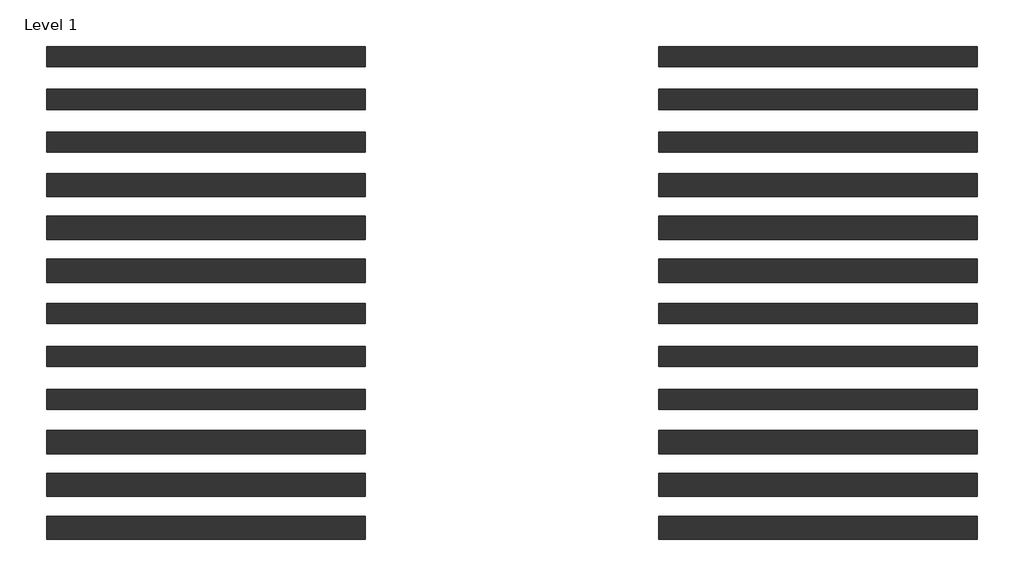
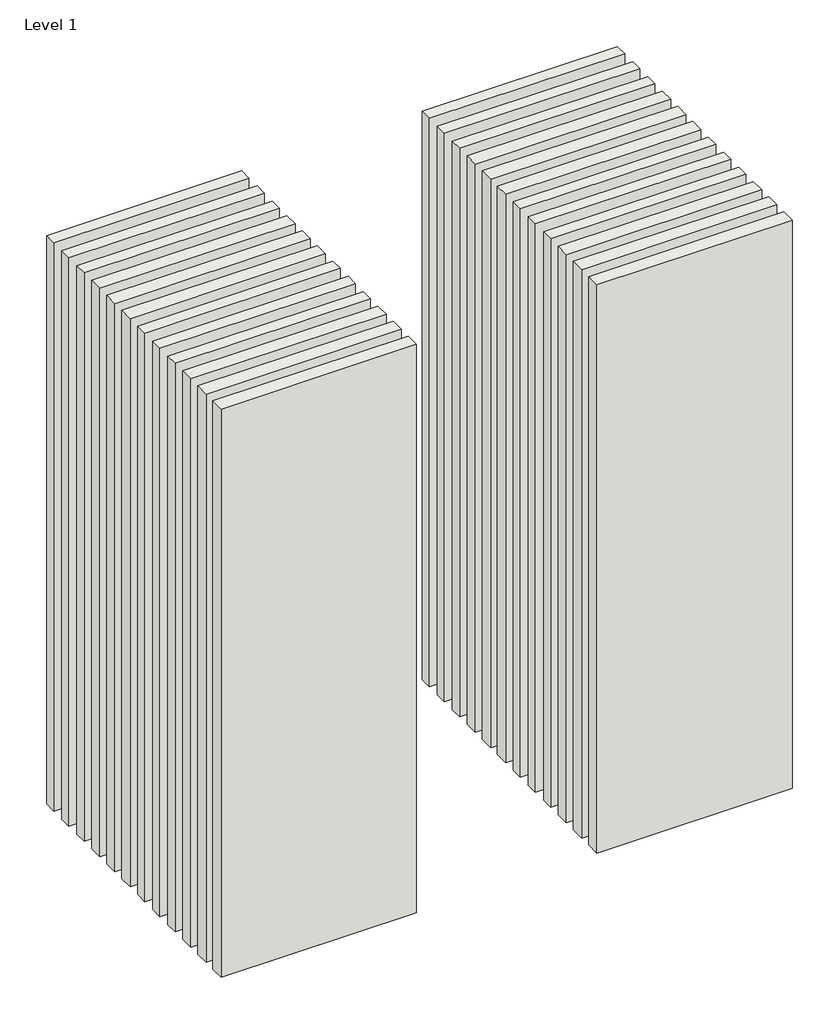
# One storey: 24 walls.
"""IFC4 building model written with IfcOpenShell, lengths in millimetres."""

from ifc_helpers import new_model, si_unit, origin, origin_with_axes, place, context, project, spatial, polyline, outline, extrude, element, save

model = new_model("IFC4")

# Units and contexts
model_context = context("Model", 3, world=origin())
ifc_project = project(units=[si_unit("LENGTHUNIT", "METRE", prefix="MILLI")], contexts=[model_context])

# Site, building, storey
site = spatial("IfcSite", under=ifc_project)
building = spatial("IfcBuilding", under=site)
storey = spatial("IfcBuildingStorey", under=building, Name="Level 1", Elevation=0.0)

# Walls
placement = place(None, origin())
element("IfcWall", 1, at=placement, inside=storey, context=model_context, shape_type="SweptSolid", body=[
    extrude(outline(polyline([(-16904.1464237, 3653.9042935), (-19504.1464237, 3653.9042935), (-19504.1464237, 3818.9042935), (-16904.1464237, 3818.9042935), (-16904.1464237, 3653.9042935)])), origin_with_axes(), (0.0, 0.0, 1.0), 8000.0),
])
element("IfcWall", 2, at=placement, inside=storey, context=model_context, shape_type="SweptSolid", body=[
    extrude(outline(polyline([(-16904.1464237, 3303.9042935), (-19504.1464237, 3303.9042935), (-19504.1464237, 3468.9042935), (-16904.1464237, 3468.9042935), (-16904.1464237, 3303.9042935)])), origin_with_axes(), (0.0, 0.0, 1.0), 8000.0),
])
element("IfcWall", 3, at=placement, inside=storey, context=model_context, shape_type="SweptSolid", body=[
    extrude(outline(polyline([(-16904.1464237, 2953.9042935), (-19504.1464237, 2953.9042935), (-19504.1464237, 3118.9042935), (-16904.1464237, 3118.9042935), (-16904.1464237, 2953.9042935)])), origin_with_axes(), (0.0, 0.0, 1.0), 8000.0),
])
element("IfcWall", 4, at=placement, inside=storey, context=model_context, shape_type="SweptSolid", body=[
    extrude(outline(polyline([(-16904.1464237, 2591.4042935), (-19504.1464237, 2591.4042935), (-19504.1464237, 2781.4042935), (-16904.1464237, 2781.4042935), (-16904.1464237, 2591.4042935)])), origin_with_axes(), (0.0, 0.0, 1.0), 8000.0),
])
element("IfcWall", 5, at=placement, inside=storey, context=model_context, shape_type="SweptSolid", body=[
    extrude(outline(polyline([(-16904.1464237, 2241.4042935), (-19504.1464237, 2241.4042935), (-19504.1464237, 2431.4042935), (-16904.1464237, 2431.4042935), (-16904.1464237, 2241.4042935)])), origin_with_axes(), (0.0, 0.0, 1.0), 8000.0),
])
element("IfcWall", 6, at=placement, inside=storey, context=model_context, shape_type="SweptSolid", body=[
    extrude(outline(polyline([(-16904.1464237, 1891.4042935), (-19504.1464237, 1891.4042935), (-19504.1464237, 2081.4042935), (-16904.1464237, 2081.4042935), (-16904.1464237, 1891.4042935)])), origin_with_axes(), (0.0, 0.0, 1.0), 8000.0),
])
element("IfcWall", 7, at=placement, inside=storey, context=model_context, shape_type="SweptSolid", body=[
    extrude(outline(polyline([(-16904.1464237, 1553.9042935), (-19504.1464237, 1553.9042935), (-19504.1464237, 1718.9042935), (-16904.1464237, 1718.9042935), (-16904.1464237, 1553.9042935)])), origin_with_axes(), (0.0, 0.0, 1.0), 8000.0),
])
element("IfcWall", 8, at=placement, inside=storey, context=model_context, shape_type="SweptSolid", body=[
    extrude(outline(polyline([(-16904.1464237, 1203.9042935), (-19504.1464237, 1203.9042935), (-19504.1464237, 1368.9042935), (-16904.1464237, 1368.9042935), (-16904.1464237, 1203.9042935)])), origin_with_axes(), (0.0, 0.0, 1.0), 8000.0),
])
element("IfcWall", 9, at=placement, inside=storey, context=model_context, shape_type="SweptSolid", body=[
    extrude(outline(polyline([(-16904.1464237, 853.9042935), (-19504.1464237, 853.9042935), (-19504.1464237, 1018.9042935), (-16904.1464237, 1018.9042935), (-16904.1464237, 853.9042935)])), origin_with_axes(), (0.0, 0.0, 1.0), 8000.0),
])
element("IfcWall", 10, at=placement, inside=storey, context=model_context, shape_type="SweptSolid", body=[
    extrude(outline(polyline([(-16904.1464237, 491.4042935), (-19504.1464237, 491.4042935), (-19504.1464237, 681.4042935), (-16904.1464237, 681.4042935), (-16904.1464237, 491.4042935)])), origin_with_axes(), (0.0, 0.0, 1.0), 8000.0),
])
element("IfcWall", 11, at=placement, inside=storey, context=model_context, shape_type="SweptSolid", body=[
    extrude(outline(polyline([(-16904.1464237, 141.4042935), (-19504.1464237, 141.4042935), (-19504.1464237, 331.4042935), (-16904.1464237, 331.4042935), (-16904.1464237, 141.4042935)])), origin_with_axes(), (0.0, 0.0, 1.0), 8000.0),
])
element("IfcWall", 12, at=placement, inside=storey, context=model_context, shape_type="SweptSolid", body=[
    extrude(outline(polyline([(-16904.1464237, -208.5957065), (-19504.1464237, -208.5957065), (-19504.1464237, -18.5957065), (-16904.1464237, -18.5957065), (-16904.1464237, -208.5957065)])), origin_with_axes(), (0.0, 0.0, 1.0), 8000.0),
])
element("IfcWall", 13, at=placement, inside=storey, context=model_context, shape_type="SweptSolid", body=[
    extrude(outline(polyline([(-11904.1464237, 3653.9042935), (-14504.1464237, 3653.9042935), (-14504.1464237, 3818.9042935), (-11904.1464237, 3818.9042935), (-11904.1464237, 3653.9042935)])), origin_with_axes(), (0.0, 0.0, 1.0), 8000.0),
])
element("IfcWall", 14, at=placement, inside=storey, context=model_context, shape_type="SweptSolid", body=[
    extrude(outline(polyline([(-11904.1464237, 3303.9042935), (-14504.1464237, 3303.9042935), (-14504.1464237, 3468.9042935), (-11904.1464237, 3468.9042935), (-11904.1464237, 3303.9042935)])), origin_with_axes(), (0.0, 0.0, 1.0), 8000.0),
])
element("IfcWall", 15, at=placement, inside=storey, context=model_context, shape_type="SweptSolid", body=[
    extrude(outline(polyline([(-11904.1464237, 2953.9042935), (-14504.1464237, 2953.9042935), (-14504.1464237, 3118.9042935), (-11904.1464237, 3118.9042935), (-11904.1464237, 2953.9042935)])), origin_with_axes(), (0.0, 0.0, 1.0), 8000.0),
])
element("IfcWall", 16, at=placement, inside=storey, context=model_context, shape_type="SweptSolid", body=[
    extrude(outline(polyline([(-11904.1464237, 2591.4042935), (-14504.1464237, 2591.4042935), (-14504.1464237, 2781.4042935), (-11904.1464237, 2781.4042935), (-11904.1464237, 2591.4042935)])), origin_with_axes(), (0.0, 0.0, 1.0), 8000.0),
])
element("IfcWall", 17, at=placement, inside=storey, context=model_context, shape_type="SweptSolid", body=[
    extrude(outline(polyline([(-11904.1464237, 2241.4042935), (-14504.1464237, 2241.4042935), (-14504.1464237, 2431.4042935), (-11904.1464237, 2431.4042935), (-11904.1464237, 2241.4042935)])), origin_with_axes(), (0.0, 0.0, 1.0), 8000.0),
])
element("IfcWall", 18, at=placement, inside=storey, context=model_context, shape_type="SweptSolid", body=[
    extrude(outline(polyline([(-11904.1464237, 1891.4042935), (-14504.1464237, 1891.4042935), (-14504.1464237, 2081.4042935), (-11904.1464237, 2081.4042935), (-11904.1464237, 1891.4042935)])), origin_with_axes(), (0.0, 0.0, 1.0), 8000.0),
])
element("IfcWall", 19, at=placement, inside=storey, context=model_context, shape_type="SweptSolid", body=[
    extrude(outline(polyline([(-11904.1464237, 1553.9042935), (-14504.1464237, 1553.9042935), (-14504.1464237, 1718.9042935), (-11904.1464237, 1718.9042935), (-11904.1464237, 1553.9042935)])), origin_with_axes(), (0.0, 0.0, 1.0), 8000.0),
])
element("IfcWall", 20, at=placement, inside=storey, context=model_context, shape_type="SweptSolid", body=[
    extrude(outline(polyline([(-11904.1464237, 1203.9042935), (-14504.1464237, 1203.9042935), (-14504.1464237, 1368.9042935), (-11904.1464237, 1368.9042935), (-11904.1464237, 1203.9042935)])), origin_with_axes(), (0.0, 0.0, 1.0), 8000.0),
])
element("IfcWall", 21, at=placement, inside=storey, context=model_context, shape_type="SweptSolid", body=[
    extrude(outline(polyline([(-11904.1464237, 853.9042935), (-14504.1464237, 853.9042935), (-14504.1464237, 1018.9042935), (-11904.1464237, 1018.9042935), (-11904.1464237, 853.9042935)])), origin_with_axes(), (0.0, 0.0, 1.0), 8000.0),
])
element("IfcWall", 22, at=placement, inside=storey, context=model_context, shape_type="SweptSolid", body=[
    extrude(outline(polyline([(-11904.1464237, 491.4042935), (-14504.1464237, 491.4042935), (-14504.1464237, 681.4042935), (-11904.1464237, 681.4042935), (-11904.1464237, 491.4042935)])), origin_with_axes(), (0.0, 0.0, 1.0), 8000.0),
])
element("IfcWall", 23, at=placement, inside=storey, context=model_context, shape_type="SweptSolid", body=[
    extrude(outline(polyline([(-11904.1464237, 141.4042935), (-14504.1464237, 141.4042935), (-14504.1464237, 331.4042935), (-11904.1464237, 331.4042935), (-11904.1464237, 141.4042935)])), origin_with_axes(), (0.0, 0.0, 1.0), 8000.0),
])
element("IfcWall", 24, at=placement, inside=storey, context=model_context, shape_type="SweptSolid", body=[
    extrude(outline(polyline([(-11904.1464237, -208.5957065), (-14504.1464237, -208.5957065), (-14504.1464237, -18.5957065), (-11904.1464237, -18.5957065), (-11904.1464237, -208.5957065)])), origin_with_axes(), (0.0, 0.0, 1.0), 8000.0),
])

save(model, "model.ifc")
